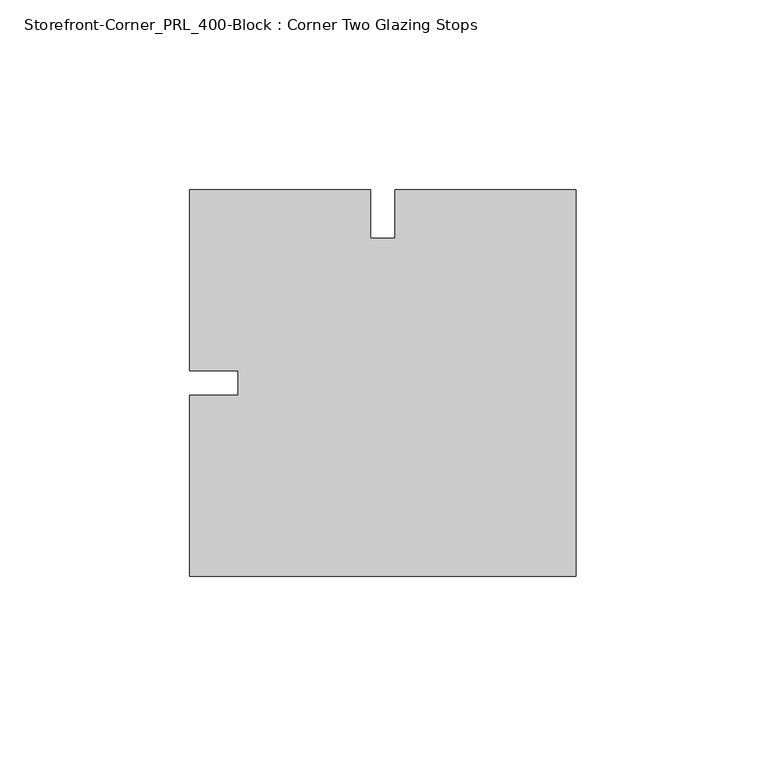
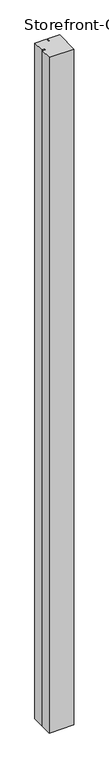
"""IFC4 building model written with IfcOpenShell, lengths in millimetres: proxy geometry, Storefront-Corner_PRL_400-Block : Corner Two Glazing Stops."""

from ifc_helpers import new_model, si_unit, origin, origin_with_axes, place, context, project, spatial, polyline, outline, extrude, source, transform, mapped, element, save


def storefront_corner_prl_400_block_corner_two_glazing_stops_a1520fe6(model_context):
    return source(origin(), model_context, "Body", "SweptSolid", [
        extrude(outline(polyline([(-50.8, 3.175), (-50.8, 50.8), (-3.175, 50.8), (-3.175, 38.1), (3.175, 38.1), (3.175, 50.8), (50.8, 50.8), (50.8, -50.8), (-50.8, -50.8), (-50.8, -3.175), (-38.1, -3.175), (-38.1, 3.175), (-50.8, 3.175)])), origin_with_axes(), (0.0, 0.0, 1.0), 2946.4),
    ])


if __name__ == "__main__":
    model = new_model("IFC4")
    model_context = context("Model", 3, world=origin())
    ifc_project = project(units=[si_unit("LENGTHUNIT", "METRE", prefix="MILLI")], contexts=[model_context])
    site = spatial("IfcSite", under=ifc_project)
    building = spatial("IfcBuilding", under=site)
    placement = place(None, origin())
    storefront_corner_prl_400_block_corner_two_glazing_stops_shape = storefront_corner_prl_400_block_corner_two_glazing_stops_a1520fe6(model_context)
    element("IfcBuildingElementProxy", 1, Name="Storefront-Corner_PRL_400-Block : Corner Two Glazing Stops", ObjectType="Storefront-Corner_PRL_400-Block : Corner Two Glazing Stops", at=placement, inside=building, context=model_context, shape_type="MappedRepresentation", body=[
        mapped(storefront_corner_prl_400_block_corner_two_glazing_stops_shape, transform((0.0, 0.0, 0.0), x_axis=(1.0, 0.0, 0.0), y_axis=(0.0, 1.0, 0.0), z_axis=(0.0, 0.0, 1.0))),
    ])
    save(model, "model.ifc")
